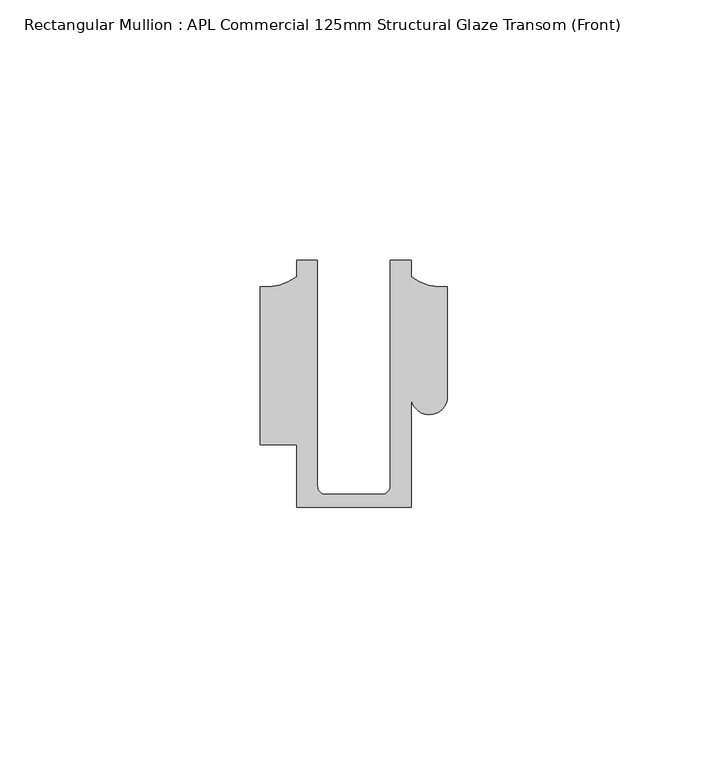
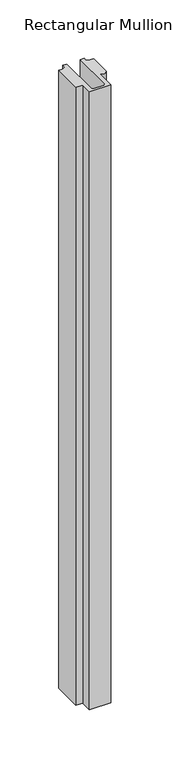
"""IFC4 building model written with IfcOpenShell, lengths in millimetres: member geometry, Rectangular Mullion : APL Commercial 125mm Structural Glaze Transom (Front)."""

from ifc_helpers import new_model, si_unit, frame, origin, place, context, project, spatial, polyline, circle_curve, source, transform, mapped, element, save
from ifc_brep_helpers import plane_surface, cylinder_surface, revolved_surface, advanced_brep


def rectangular_mullion_apl_commercial_125mm_structural_glaze_bd5d0fb0(model_context):
    return source(origin(), model_context, "Body", "AdvancedBrep", [
        advanced_brep(
        [(-11.0000151, -27.0, 0.0), (11.001071, -27.0, 0.0), (11.001071, -5.5848769, 0.0), (17.9999091, -5.6750512, 0.0), (17.9999542, 15.3797475, 0.0), (11.0000151, 17.3125212, 0.0), (11.0000151, 20.5, 0.0), (6.9999849, 20.5, 0.0), (6.9999849, -22.9973451, 0.0), (5.4999872, -24.5, 0.0), (-5.4999873, -24.5, 0.0), (-6.9999853, -22.9976091, 0.0), (-6.9999853, 20.5, 0.0), (-10.9999994, 20.5, 0.0), (-10.9999994, 17.3125325, 0.0), (-17.9999542, 15.3797475, 0.0), (-17.9999542, -15.0006281, 0.0), (-11.0000151, -15.0006281, 0.0), (-11.0000151, -27.0, -673.5145618), (-11.0000151, -15.0006281, -673.5145618), (-17.9999542, -15.0006281, -673.5145618), (-17.9999542, 15.3797475, -673.5145618), (-10.9999994, 17.3125325, -673.5145618), (-10.9999994, 20.5, -673.5145618), (-6.9999853, 20.5, -673.5145618), (-6.9999853, -22.9976091, -673.5145618), (-5.4999873, -24.5, -673.5145618), (5.4999872, -24.5, -673.5145618), (6.9999849, -22.9973451, -673.5145618), (6.9999849, 20.5, -673.5145618), (11.0000151, 20.5, -673.5145618), (11.0000151, 17.3125212, -673.5145618), (17.9999542, 15.3797475, -673.5145618), (17.9999542, -5.684606, -673.5145618), (11.001071, -5.5848769, -673.5145618), (11.001071, -27.0, -673.5145618)],
        [
            (0, 1),
            (1, 2),
            (2, 3, circle_curve(frame((14.4999091, -5.6750512, 0.0), z_axis=(0.0, 0.0, 1.0), x_axis=(-0.9999826028573957, 0.005898642432633649, 0.0)), 3.5)),
            (3, 4),
            (4, 5, circle_curve(frame((17.109817, 25.7981812, 0.0), z_axis=(0.0, 0.0, -1.0), x_axis=(0.0, -1.0, 0.0)), 10.4563907)),
            (5, 6),
            (6, 7),
            (7, 8),
            (8, 9, circle_curve(frame((5.4999872, -23.0, 0.0), z_axis=(0.0, 0.0, -1.0), x_axis=(0.9999999999999986, 5.463622857820516e-08, 0.0)), 1.5)),
            (9, 10),
            (10, 11, circle_curve(frame((-5.4999873, -23.0, 0.0), z_axis=(0.0, 0.0, -1.0), x_axis=(2.7320010112268853e-08, -0.9999999999999997, 0.0)), 1.5)),
            (11, 12),
            (12, 13),
            (13, 14),
            (14, 15, circle_curve(frame((-17.109817, 25.7981812, 0.0), z_axis=(0.0, 0.0, -1.0), x_axis=(0.0, -1.0, 0.0)), 10.4563907)),
            (15, 16),
            (16, 17),
            (17, 0),
            (18, 19),
            (19, 20),
            (20, 21),
            (21, 22, circle_curve(frame((-17.109817, 25.7981812, -673.5145618), z_axis=(0.0, 0.0, 1.0), x_axis=(0.0, -1.0, 0.0)), 10.4563907)),
            (22, 23),
            (23, 24),
            (24, 25),
            (25, 26, circle_curve(frame((-5.4999873, -23.0, -673.5145618), z_axis=(0.0, 0.0, 1.0), x_axis=(2.7320010112268853e-08, -0.9999999999999997, 0.0)), 1.5)),
            (26, 27),
            (27, 28, circle_curve(frame((5.4999872, -23.0, -673.5145618), z_axis=(0.0, 0.0, 1.0), x_axis=(0.9999999999999986, 5.463622857820516e-08, 0.0)), 1.5)),
            (28, 29),
            (29, 30),
            (30, 31),
            (31, 32, circle_curve(frame((17.109817, 25.7981812, -673.5145618), z_axis=(0.0, 0.0, 1.0), x_axis=(0.0, -1.0, 0.0)), 10.4563907)),
            (32, 33),
            (33, 34, circle_curve(frame((14.4999091, -5.6750512, -673.5145618), z_axis=(0.0, 0.0, -1.0), x_axis=(-0.9999826028573957, 0.005898642432633649, 0.0)), 3.5)),
            (34, 35),
            (35, 18),
            (0, 18),
            (35, 1),
            (34, 2),
            (33, 3),
            (32, 4),
            (31, 5),
            (30, 6),
            (29, 7),
            (28, 8),
            (27, 9),
            (26, 10),
            (25, 11),
            (24, 12),
            (23, 13),
            (22, 14),
            (21, 15),
            (20, 16),
            (19, 17),
        ],
        [
            plane_surface(frame((0.0, -29.1551636, 0.0), z_axis=(0.0, 0.0, 1.0), x_axis=(-1.0, 0.0, 0.0))),
            plane_surface(frame((0.0, -29.1551636, -673.5145618), z_axis=(0.0, 0.0, -1.0), x_axis=(-1.0, 0.0, 0.0))),
            plane_surface(frame((-11.0000151, -27.0, 0.0), z_axis=(0.0, -1.0, 0.0), x_axis=(0.0, 0.0, -1.0))),
            plane_surface(frame((11.001071, -27.0, 0.0), z_axis=(1.0, 0.0, 0.0), x_axis=(0.0, 0.0, -1.0))),
            cylinder_surface(frame((14.4999091, -5.6750512, 0.0), z_axis=(0.0, 0.0, 1.0), x_axis=(-0.9999826028573957, 0.005898642432633649, 0.0)), 3.5),
            plane_surface(frame((17.9999542, -5.684606, 0.0), z_axis=(1.0, 0.0, 0.0), x_axis=(0.0, 0.0, -1.0))),
            revolved_surface(polyline([(17.109817, 15.341790499999998, -673.5145618), (17.109817, 15.341790499999998, 0.0)]), (17.109817, 25.7981812, 0.0), (0.0, 0.0, -1.0)),
            plane_surface(frame((11.0000151, 17.3125212, 0.0), z_axis=(1.0, 0.0, 0.0), x_axis=(0.0, 0.0, -1.0))),
            plane_surface(frame((11.0000151, 20.5, 0.0), z_axis=(0.0, 1.0, 0.0), x_axis=(0.0, 0.0, -1.0))),
            plane_surface(frame((6.9999849, 20.5, 0.0), z_axis=(-1.0, 0.0, 0.0), x_axis=(0.0, 0.0, -1.0))),
            revolved_surface(polyline([(6.999987199999998, -22.999999918045656, -673.5145618), (6.999987199999998, -22.999999918045656, 0.0)]), (5.4999872, -23.0, 0.0), (0.0, 0.0, -1.0)),
            plane_surface(frame((5.4999872, -24.5, 0.0), z_axis=(0.0, 1.0, 0.0), x_axis=(0.0, 0.0, -1.0))),
            revolved_surface(polyline([(-5.499987259019985, -24.5, -673.5145618), (-5.499987259019985, -24.5, 0.0)]), (-5.4999873, -23.0, 0.0), (0.0, 0.0, -1.0)),
            plane_surface(frame((-6.9999853, -22.9976091, 0.0), z_axis=(1.0, 0.0, 0.0), x_axis=(0.0, 0.0, -1.0))),
            plane_surface(frame((-6.9999853, 20.5, 0.0), z_axis=(0.0, 1.0, 0.0), x_axis=(0.0, 0.0, -1.0))),
            plane_surface(frame((-10.9999994, 20.5, 0.0), z_axis=(-1.0, 0.0, 0.0), x_axis=(0.0, 0.0, -1.0))),
            revolved_surface(polyline([(-17.109817, 15.341790499999998, -673.5145618), (-17.109817, 15.341790499999998, 0.0)]), (-17.109817, 25.7981812, 0.0), (0.0, 0.0, -1.0)),
            plane_surface(frame((-17.9999542, 15.3797475, 0.0), z_axis=(-1.0, 0.0, 0.0), x_axis=(0.0, 0.0, -1.0))),
            plane_surface(frame((-17.9999542, -15.0006281, 0.0), z_axis=(0.0, -1.0, 0.0), x_axis=(0.0, 0.0, -1.0))),
            plane_surface(frame((-11.0000151, -15.0006281, 0.0), z_axis=(-1.0, 0.0, 0.0), x_axis=(0.0, 0.0, -1.0))),
        ],
        [
            (0, [[1, 2, 3, 4, 5, 6, 7, 8, 9, 10, 11, 12, 13, 14, 15, 16, 17, 18]]),
            (1, [[19, 20, 21, 22, 23, 24, 25, 26, 27, 28, 29, 30, 31, 32, 33, 34, 35, 36]]),
            (2, [[-1, 37, -36, 38]]),
            (3, [[-2, -38, -35, 39]]),
            (4, [[-3, -39, -34, 40]]),
            (5, [[-4, -40, -33, 41]]),
            (6, [[-5, -41, -32, 42]]),
            (7, [[-6, -42, -31, 43]]),
            (8, [[-7, -43, -30, 44]]),
            (9, [[-8, -44, -29, 45]]),
            (10, [[-9, -45, -28, 46]]),
            (11, [[-10, -46, -27, 47]]),
            (12, [[-11, -47, -26, 48]]),
            (13, [[-12, -48, -25, 49]]),
            (14, [[-13, -49, -24, 50]]),
            (15, [[-14, -50, -23, 51]]),
            (16, [[-15, -51, -22, 52]]),
            (17, [[-16, -52, -21, 53]]),
            (18, [[-17, -53, -20, 54]]),
            (19, [[-18, -54, -19, -37]]),
        ],
    ),
    ])


if __name__ == "__main__":
    model = new_model("IFC4")
    model_context = context("Model", 3, world=origin())
    ifc_project = project(units=[si_unit("LENGTHUNIT", "METRE", prefix="MILLI")], contexts=[model_context])
    site = spatial("IfcSite", under=ifc_project)
    building = spatial("IfcBuilding", under=site)
    placement = place(None, origin())
    rectangular_mullion_apl_commercial_125mm_structural_glaze_shape = rectangular_mullion_apl_commercial_125mm_structural_glaze_bd5d0fb0(model_context)
    element("IfcMember", 1, ObjectType="Rectangular Mullion : APL Commercial 125mm Structural Glaze Transom (Front)", at=placement, inside=building, context=model_context, shape_type="MappedRepresentation", body=[
        mapped(rectangular_mullion_apl_commercial_125mm_structural_glaze_shape, transform((0.0, 0.0, 0.0), x_axis=(1.0, 0.0, 0.0), y_axis=(0.0, 1.0, 0.0), z_axis=(0.0, 0.0, 1.0))),
    ])
    save(model, "model.ifc")
